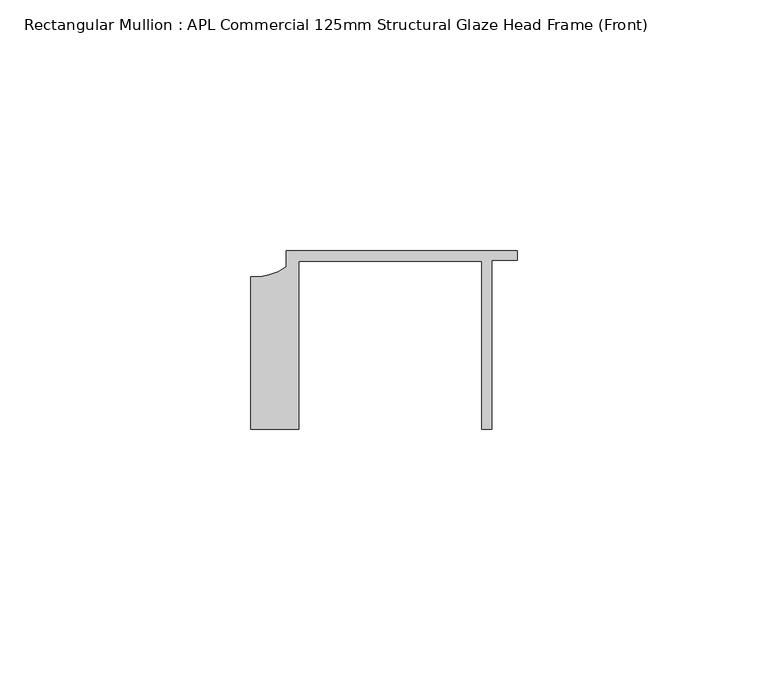
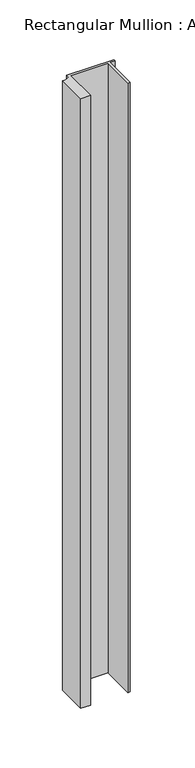
"""IFC4 building model written with IfcOpenShell, lengths in millimetres: member geometry, Rectangular Mullion : APL Commercial 125mm Structural Glaze Head Frame (Front)."""

import ifcopenshell
import ifcopenshell.guid

model = None  # the IFC model being written
_history = None  # IfcOwnerHistory: only IFC2X3 demands one
_inside = {}  # id of a spatial element -> (the spatial element, [elements in it])
_under = {}  # id of a project, library or spatial element -> (it, [spatial elements below it])
_declared = {}  # id of a project -> (the project, [libraries it declares])
_typed = {}  # id of a type object -> (the type object, [elements of that type])
_made_of = {}  # id of a material, layer set ... -> (it, [elements and type objects made of it])


def new_model(schema):
    """Start an empty IFC model of exactly this schema.

    Asked for "IFC4X3", IfcOpenShell would pick the latest addendum, in which some entities
    have other attributes; the version numbers below select the first issue.
    IFC2X3 requires an IfcOwnerHistory on every rooted entity: one is made here for all.
    """
    global model, _history
    if schema == "IFC4X3":
        model = ifcopenshell.file(schema_version=(4, 3, 0, 0))
    else:
        model = ifcopenshell.file(schema=schema)
    _inside.clear()
    _under.clear()
    _declared.clear()
    _typed.clear()
    _made_of.clear()
    _history = None
    if model.schema == "IFC2X3":
        org = make("IfcOrganization", Name="unknown")
        user = make(
            "IfcPersonAndOrganization",
            ThePerson=make("IfcPerson", FamilyName="unknown"),
            TheOrganization=org,
        )
        app = make(
            "IfcApplication",
            ApplicationDeveloper=org,
            Version="unknown",
            ApplicationFullName="unknown",
            ApplicationIdentifier="unknown",
        )
        _history = make(
            "IfcOwnerHistory",
            OwningUser=user,
            OwningApplication=app,
            ChangeAction="ADDED",
            CreationDate=0,
        )
    return model


def make(cls, **values):
    """One entity of the class cls with the attributes given. An attribute that is None is left unset."""
    return model.create_entity(
        cls, **{name: value for name, value in values.items() if value is not None}
    )


def rooted(cls, **values):
    """An entity with a GlobalId (a new one), such as an element, a storey or a relation."""
    return make(cls, GlobalId=ifcopenshell.guid.new(), OwnerHistory=_history, **values)


def si_unit(unit_type, name, prefix=None):
    """IfcSIUnit, for example si_unit("LENGTHUNIT", "METRE", prefix="MILLI")."""
    return make("IfcSIUnit", UnitType=unit_type, Prefix=prefix, Name=name)


def assignment(units):
    """IfcUnitAssignment: the units of a project."""
    return None if units is None else make("IfcUnitAssignment", Units=units)


def point(xyz):
    """IfcCartesianPoint."""
    return None if xyz is None else make("IfcCartesianPoint", Coordinates=xyz)


def direction(xyz):
    """IfcDirection."""
    return None if xyz is None else make("IfcDirection", DirectionRatios=xyz)


def frame(location, z_axis=None, x_axis=None):
    """IfcAxis2Placement3D, a coordinate frame: its origin and axes. An axis left out is left unset."""
    return make(
        "IfcAxis2Placement3D",
        Location=point(location),
        Axis=direction(z_axis),
        RefDirection=direction(x_axis),
    )


def frame_2d(location, x_axis=None):
    """IfcAxis2Placement2D, a coordinate frame in the plane: its origin and x axis."""
    return make(
        "IfcAxis2Placement2D", Location=point(location), RefDirection=direction(x_axis)
    )


def origin():
    """The frame at (0, 0, 0) with its axes left unset."""
    return frame((0.0, 0.0, 0.0))


def place(relative_to, where):
    """IfcLocalPlacement: puts the frame where relative to a parent placement (None: the world)."""
    return make(
        "IfcLocalPlacement", PlacementRelTo=relative_to, RelativePlacement=where
    )


def context(
    kind, dimensions, precision=None, world=None, true_north=None, identifier=None
):
    """IfcGeometricRepresentationContext, for example the 3D "Model" context."""
    return make(
        "IfcGeometricRepresentationContext",
        ContextIdentifier=identifier,
        ContextType=kind,
        CoordinateSpaceDimension=dimensions,
        Precision=precision,
        WorldCoordinateSystem=world,
        TrueNorth=true_north,
    )


def project(units=None, contexts=None):
    """IfcProject with its units and contexts."""
    return rooted(
        "IfcProject",
        Name="project",
        RepresentationContexts=contexts,
        UnitsInContext=assignment(units),
    )


def spatial(cls, under=None, at=None, **own):
    """A site, building, storey or space (cls), placed at a placement, below another one or the project."""
    s = rooted(cls, ObjectPlacement=at, **own)
    if under is not None:
        _under.setdefault(under.id(), (under, []))[1].append(s)
    return s


def polyline(points):
    """IfcPolyline through the points."""
    return make("IfcPolyline", Points=[point(p) for p in points])


def circle_curve(where, radius):
    """IfcCircle in the frame where."""
    return make("IfcCircle", Position=where, Radius=radius)


def trimmed(basis, trim1, trim2, sense, master):
    """IfcTrimmedCurve: the piece of a basis curve between two trims."""
    return make(
        "IfcTrimmedCurve",
        BasisCurve=basis,
        Trim1=trim1,
        Trim2=trim2,
        SenseAgreement=sense,
        MasterRepresentation=master,
    )


def segment(curve, same_sense, transition):
    """IfcCompositeCurveSegment."""
    return make(
        "IfcCompositeCurveSegment",
        Transition=transition,
        SameSense=same_sense,
        ParentCurve=curve,
    )


def composite_curve(segments, self_intersect=None):
    """IfcCompositeCurve: segments joined end to end."""
    return make("IfcCompositeCurve", Segments=segments, SelfIntersect=self_intersect)


def outline(outer, holes=None, kind="AREA"):
    """IfcArbitraryClosedProfileDef: a profile drawn as a closed curve; with holes, ...WithVoids."""
    if holes is None:
        return make("IfcArbitraryClosedProfileDef", ProfileType=kind, OuterCurve=outer)
    return make(
        "IfcArbitraryProfileDefWithVoids",
        ProfileType=kind,
        OuterCurve=outer,
        InnerCurves=holes,
    )


def extrude(swept, where, along, depth):
    """IfcExtrudedAreaSolid: the profile swept, set in the frame where, extruded along a direction by depth."""
    return make(
        "IfcExtrudedAreaSolid",
        SweptArea=swept,
        Position=where,
        ExtrudedDirection=direction(along),
        Depth=depth,
    )


def shape(context_of_items, identifier, shape_type, items):
    """IfcShapeRepresentation: the items that make up one representation, for example the "Body"."""
    return make(
        "IfcShapeRepresentation",
        ContextOfItems=context_of_items,
        RepresentationIdentifier=identifier,
        RepresentationType=shape_type,
        Items=items,
    )


def source(mapping_origin, context_of_items, identifier, shape_type, items):
    """IfcRepresentationMap: a shape defined once, which mapped items show again and again."""
    return make(
        "IfcRepresentationMap",
        MappingOrigin=mapping_origin,
        MappedRepresentation=shape(context_of_items, identifier, shape_type, items),
    )


def transform(
    local_origin,
    x_axis=None,
    y_axis=None,
    z_axis=None,
    scale=None,
    scale2=None,
    scale3=None,
    uniform=True,
):
    """IfcCartesianTransformationOperator3D, or its non-uniform kind. x_axis, y_axis, z_axis: its Axis1, 2, 3."""
    if uniform:
        return make(
            "IfcCartesianTransformationOperator3D",
            Axis1=direction(x_axis),
            Axis2=direction(y_axis),
            LocalOrigin=point(local_origin),
            Scale=scale,
            Axis3=direction(z_axis),
        )
    return make(
        "IfcCartesianTransformationOperator3DnonUniform",
        Axis1=direction(x_axis),
        Axis2=direction(y_axis),
        LocalOrigin=point(local_origin),
        Scale=scale,
        Axis3=direction(z_axis),
        Scale2=scale2,
        Scale3=scale3,
    )


def mapped(mapping_source, mapping_target):
    """IfcMappedItem: shows the shape of a source again, moved by a transform."""
    return make(
        "IfcMappedItem", MappingSource=mapping_source, MappingTarget=mapping_target
    )


def made_of(thing, what):
    """Note that an element or type object is made of a material, layer set ...; save() writes the relation."""
    if what is not None:
        _made_of.setdefault(what.id(), (what, []))[1].append(thing)
    return thing


def element(
    cls,
    number,
    at=None,
    inside=None,
    cuts=None,
    type_object=None,
    material=None,
    context=None,
    identifier="Body",
    shape_type=None,
    held_by="IfcProductDefinitionShape",
    body=None,
    shapes=None,
    **own,
):
    """One element of the class cls, such as IfcWall. Its Tag is "e" and its number.

    at: its placement. inside: the storey or other place that contains it. cuts: it is an
    opening in that element (IfcRelVoidsElement). A single representation is given by context,
    identifier, shape_type and body (its items); several are given by shapes. held_by: the class
    of the entity that holds the representations. save() writes the other relations.
    """
    e = rooted(cls, Tag="e%d" % number, ObjectPlacement=at, **own)
    if body is not None:
        shapes = [shape(context, identifier, shape_type, body)]
    if shapes is not None:
        e.Representation = make(held_by, Representations=shapes)
    if inside is not None:
        _inside.setdefault(inside.id(), (inside, []))[1].append(e)
    if cuts is not None:
        rooted(
            "IfcRelVoidsElement", RelatingBuildingElement=cuts, RelatedOpeningElement=e
        )
    if type_object is not None:
        _typed.setdefault(type_object.id(), (type_object, []))[1].append(e)
    return made_of(e, material)


def aggregate(whole, parts):
    """IfcRelAggregates: a whole, such as a stair, and the parts it consists of."""
    return rooted("IfcRelAggregates", RelatingObject=whole, RelatedObjects=parts)


def save(model, path):
    """Write the relations noted so far, then the file.

    IfcRelAggregates (storeys below a building ...), IfcRelContainedInSpatialStructure (elements
    in a storey), IfcRelDefinesByType, IfcRelAssociatesMaterial and IfcRelDeclares: one each for
    every whole, place, type object, material and project.
    """
    for whole, parts in _under.values():
        aggregate(whole, parts)
    for where, things in _inside.values():
        rooted(
            "IfcRelContainedInSpatialStructure",
            RelatedElements=things,
            RelatingStructure=where,
        )
    for kind, things in _typed.values():
        rooted("IfcRelDefinesByType", RelatedObjects=things, RelatingType=kind)
    for what, things in _made_of.values():
        rooted("IfcRelAssociatesMaterial", RelatedObjects=things, RelatingMaterial=what)
    for by, libraries in _declared.values():
        rooted("IfcRelDeclares", RelatingContext=by, RelatedDefinitions=libraries)
    model.write(path)


def rectangular_mullion_apl_commercial_125mm_structural_glaze_2cffd1ff(model_context):
    return source(origin(), model_context, "Body", "SweptSolid", [
        extrude(outline(composite_curve([segment(polyline([(-52.9999542, -15.0), (-52.9999542, 15.3798304)]), True, "CONTINUOUS"), segment(trimmed(circle_curve(frame_2d((-52.109817, 25.7982641)), 10.4563907), [point((-52.9999542, 15.3798304))], [point((-45.9999994, 17.3126154))], True, "CARTESIAN"), True, "CONTINUOUS"), segment(polyline([(-45.9999994, 17.3126154), (-45.9999994, 20.5002486), (0.0, 20.5002486), (0.0, 18.7002486), (-5.0, 18.7002486), (-5.0, -15.0), (-7.0, -15.0), (-7.0, 18.5002486), (-43.5000151, 18.5002486), (-43.5000151, -15.0), (-52.9999542, -15.0)]), True, "CONTINUOUS")], self_intersect=False)), frame((0.0, 0.0, -624.3722924), z_axis=(0.0, 0.0, 1.0), x_axis=(1.0, 0.0, 0.0)), (0.0, 0.0, 1.0), 624.3722924),
    ])


if __name__ == "__main__":
    model = new_model("IFC4")
    model_context = context("Model", 3, world=origin())
    ifc_project = project(units=[si_unit("LENGTHUNIT", "METRE", prefix="MILLI")], contexts=[model_context])
    site = spatial("IfcSite", under=ifc_project)
    building = spatial("IfcBuilding", under=site)
    placement = place(None, origin())
    rectangular_mullion_apl_commercial_125mm_structural_glaze_shape = rectangular_mullion_apl_commercial_125mm_structural_glaze_2cffd1ff(model_context)
    element("IfcMember", 1, ObjectType="Rectangular Mullion : APL Commercial 125mm Structural Glaze Head Frame (Front)", at=placement, inside=building, context=model_context, shape_type="MappedRepresentation", body=[
        mapped(rectangular_mullion_apl_commercial_125mm_structural_glaze_shape, transform((0.0, 0.0, 0.0), x_axis=(1.0, 0.0, 0.0), y_axis=(0.0, 1.0, 0.0), z_axis=(0.0, 0.0, 1.0))),
    ])
    save(model, "model.ifc")
